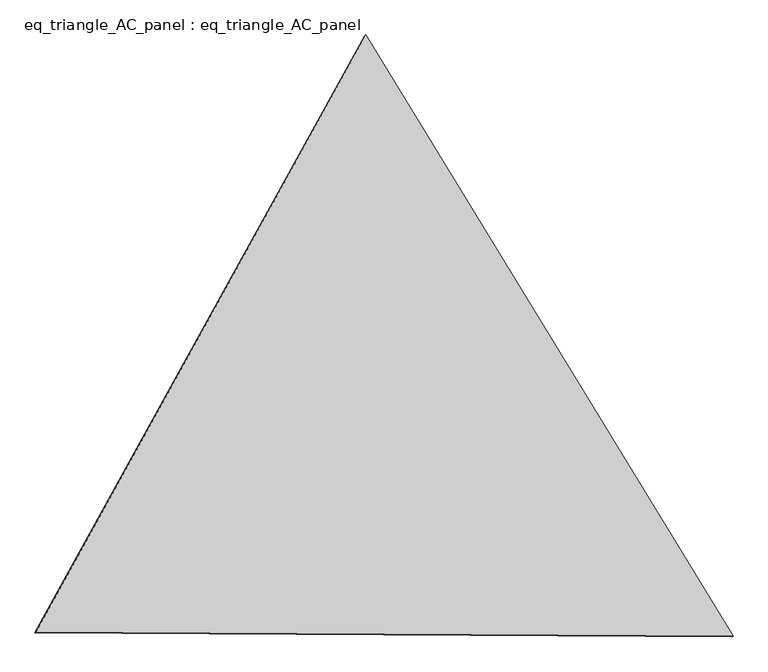
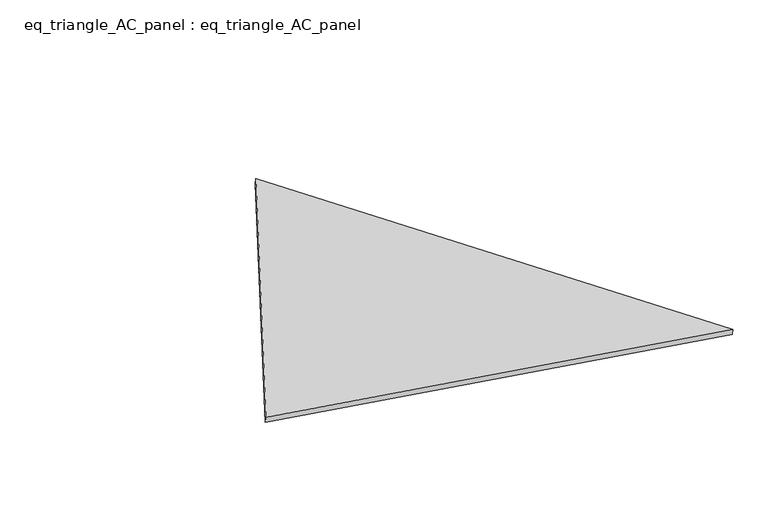
"""IFC4 building model written with IfcOpenShell, lengths in millimetres: proxy geometry, eq_triangle_AC_panel : eq_triangle_AC_panel."""

from ifc_helpers import new_model, si_unit, frame, origin, place, context, project, spatial, polyline, outline, extrude, source, transform, mapped, element, save


def eq_triangle_ac_panel_eq_triangle_ac_panel_e6578faa(model_context):
    return source(origin(), model_context, "Body", "SweptSolid", [
        extrude(outline(polyline([(-2032.5744454, 1173.1116091), (2091.3211801, 1173.1116091), (-58.7467349, -2346.2232182), (-2032.5744454, 1173.1116091)])), frame((0.0038051, 527.9290861, 89.8240019), z_axis=(0.14526328518058193, 0.0838657028180216, 0.9858321976225894), x_axis=(0.5212164269771101, -0.8534141950366925, -0.004200947403765983)), (0.0, 0.0, 1.0), 43.8306294),
    ])


if __name__ == "__main__":
    model = new_model("IFC4")
    model_context = context("Model", 3, world=origin())
    ifc_project = project(units=[si_unit("LENGTHUNIT", "METRE", prefix="MILLI")], contexts=[model_context])
    site = spatial("IfcSite", under=ifc_project)
    building = spatial("IfcBuilding", under=site)
    placement = place(None, origin())
    eq_triangle_ac_panel_eq_triangle_ac_panel_shape = eq_triangle_ac_panel_eq_triangle_ac_panel_e6578faa(model_context)
    element("IfcBuildingElementProxy", 1, Name="eq_triangle_AC_panel : eq_triangle_AC_panel", ObjectType="eq_triangle_AC_panel : eq_triangle_AC_panel", at=placement, inside=building, context=model_context, shape_type="MappedRepresentation", body=[
        mapped(eq_triangle_ac_panel_eq_triangle_ac_panel_shape, transform((0.0, 0.0, 0.0), x_axis=(1.0, 0.0, 0.0), y_axis=(0.0, 1.0, 0.0), z_axis=(0.0, 0.0, 1.0))),
    ])
    save(model, "model.ifc")
